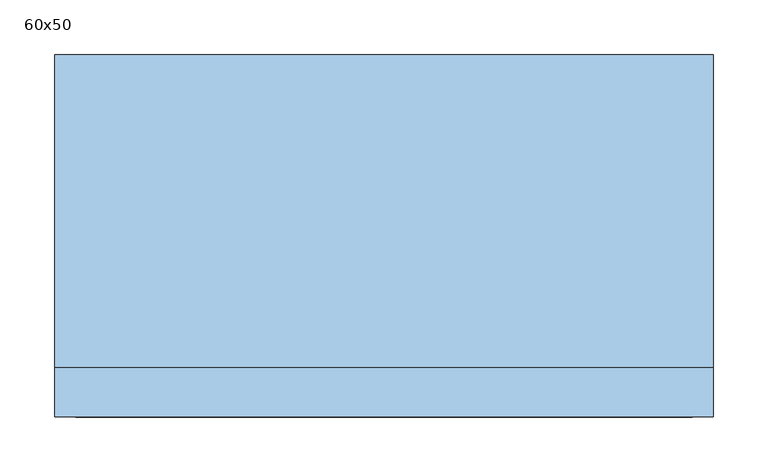
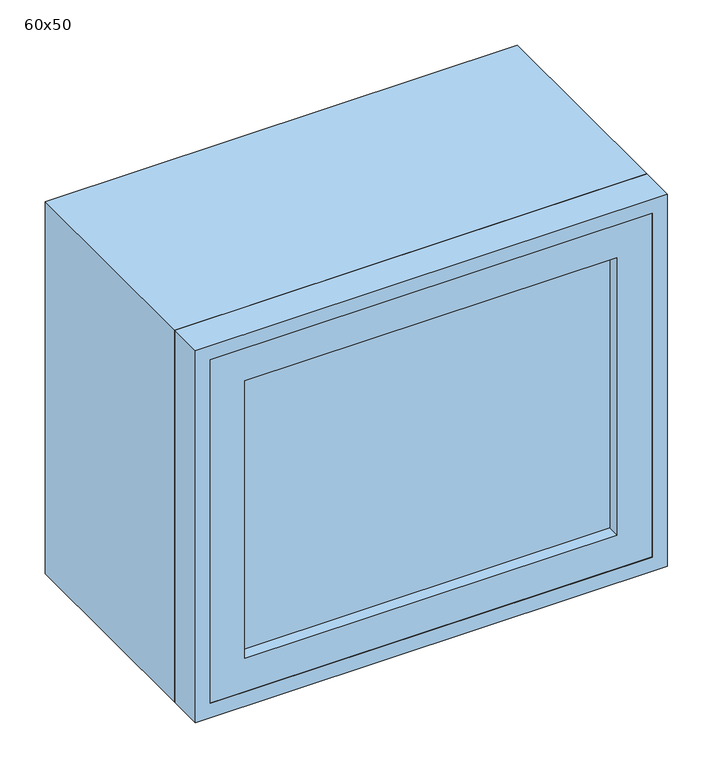
"""IFC4 building model written with IfcOpenShell, lengths in millimetres: window geometry, 60x50."""

from ifc_helpers import new_model, si_unit, frame, origin, place, context, project, spatial, polyline, outline, extrude, source, transform, mapped, element, save


def window_60x50_4e7d1fc0(model_context):
    return source(origin(), model_context, "Body", "SweptSolid", [
        extrude(outline(polyline([(198.4, -135.425), (198.4, -148.125), (-274.6, -148.125), (-274.6, -135.425), (198.4, -135.425)])), frame((0.0, 0.0, 963.5), z_axis=(0.0, 0.0, 1.0), x_axis=(1.0, 0.0, 0.0)), (0.0, 0.0, 1.0), 373.0),
        extrude(outline(polyline([(1380.95, -319.05), (919.05, -319.05), (919.05, 242.85), (1380.95, 242.85), (1380.95, -319.05)]), holes=[polyline([(1336.5, -274.6), (1336.5, 198.4), (963.5, 198.4), (963.5, -274.6), (1336.5, -274.6)])]), frame((0.0, -164.0, 0.0), z_axis=(0.0, 1.0, 0.0), x_axis=(0.0, 0.0, 1.0)), (0.0, 0.0, 1.0), 44.45),
        extrude(outline(polyline([(1400.0, -338.1), (900.0, -338.1), (900.0, 261.9), (1400.0, 261.9), (1400.0, -338.1)]), holes=[polyline([(1368.25, -306.35), (1368.25, 230.15), (931.75, 230.15), (931.75, -306.35), (1368.25, -306.35)])]), frame((0.0, -119.55, 0.0), z_axis=(0.0, 1.0, 0.0), x_axis=(0.0, 0.0, 1.0)), (0.0, 0.0, 1.0), 284.55),
        extrude(outline(polyline([(1400.0, 261.9), (1400.0, -338.1), (900.0, -338.1), (900.0, 261.9), (1400.0, 261.9)]), holes=[polyline([(1380.95, 242.85), (919.05, 242.85), (919.05, -319.05), (1380.95, -319.05), (1380.95, 242.85)])]), frame((0.0, -165.0, 0.0), z_axis=(0.0, 1.0, 0.0), x_axis=(0.0, 0.0, 1.0)), (0.0, 0.0, 1.0), 45.45),
    ])


if __name__ == "__main__":
    model = new_model("IFC4")
    model_context = context("Model", 3, world=origin())
    ifc_project = project(units=[si_unit("LENGTHUNIT", "METRE", prefix="MILLI")], contexts=[model_context])
    site = spatial("IfcSite", under=ifc_project)
    building = spatial("IfcBuilding", under=site)
    placement = place(None, origin())
    window_60x50_shape = window_60x50_4e7d1fc0(model_context)
    element("IfcWindow", 1, ObjectType="60x50", at=placement, inside=building, context=model_context, shape_type="MappedRepresentation", body=[
        mapped(window_60x50_shape, transform((0.0, 0.0, 0.0), x_axis=(1.0, 0.0, 0.0), y_axis=(0.0, 1.0, 0.0), z_axis=(0.0, 0.0, 1.0))),
    ])
    save(model, "model.ifc")
